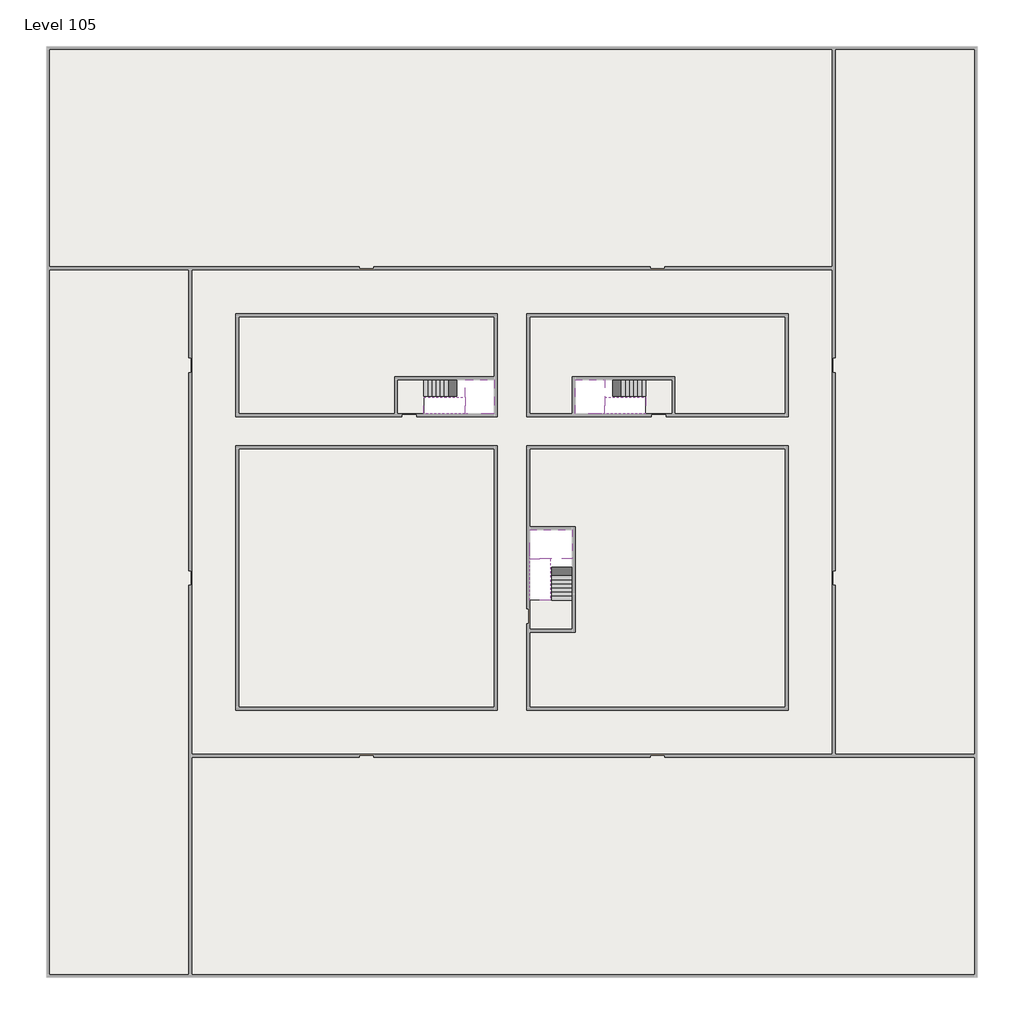
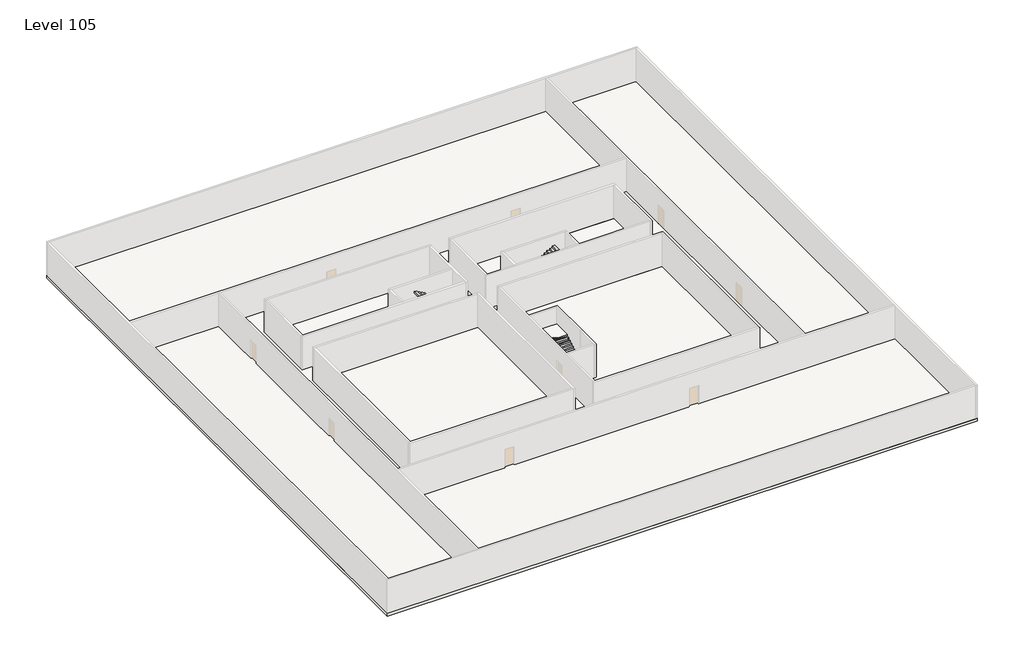
# One storey, part 2 of 2: 6 slabs, 6 stair flights.
"""IFC4 building model written with IfcOpenShell, lengths in millimetres."""

from ifc_helpers import new_model, si_unit, frame, origin, place, context, project, spatial, polyline, outline, extrude, faceted_brep, element, save

model = new_model("IFC4")

# Units and contexts
model_context = context("Model", 3, world=origin())
ifc_project = project(units=[si_unit("LENGTHUNIT", "METRE", prefix="MILLI")], contexts=[model_context])

# Site, building, storey
site = spatial("IfcSite", under=ifc_project)
building = spatial("IfcBuilding", under=site)
storey = spatial("IfcBuildingStorey", under=building, Name="Level 105", Elevation=395200.0)

# Slabs
placement = place(None, origin())
element("IfcSlab", 1, at=placement, inside=storey, context=model_context, shape_type="SweptSolid", body=[
    extrude(outline(polyline([(55890.1058784, -5518.09644), (55890.1058784, -68918.09644), (-7509.8941216, -68918.09644), (-7509.8941216, -5518.09644), (55890.1058784, -5518.09644)]), holes=[polyline([(22990.1058784, -23918.09644), (5590.1058784, -23918.09644), (5590.1058784, -30518.09644), (22990.1058784, -30518.09644), (22990.1058784, -23918.09644)]), polyline([(42990.1058784, -23918.09644), (25390.1058784, -23918.09644), (25390.1058784, -30518.09644), (42990.1058784, -30518.09644), (42990.1058784, -23918.09644)]), polyline([(25390.1058784, -50518.09644), (42790.1058784, -50518.09644), (42790.1058784, -32918.09644), (25390.1058784, -32918.09644), (25390.1058784, -50518.09644)]), polyline([(22990.1058784, -32918.09644), (5590.1058784, -32918.09644), (5590.1058784, -50518.09644), (22990.1058784, -50518.09644), (22990.1058784, -32918.09644)])]), frame((0.0, 0.0, 394900.0), z_axis=(0.0, 0.0, 1.0), x_axis=(1.0, 0.0, 0.0)), (0.0, 0.0, 1.0), 300.0),
])
element("IfcSlab", 2, at=placement, inside=storey, context=model_context, shape_type="SweptSolid", body=[
    extrude(outline(polyline([(22990.1058784, -23918.09644), (22990.1058784, -28018.09644), (16190.1058784, -28018.09644), (16190.1058784, -30518.09644), (5590.1058784, -30518.09644), (5590.1058784, -23918.09644), (22990.1058784, -23918.09644)])), frame((0.0, 0.0, 394900.0), z_axis=(0.0, 0.0, 1.0), x_axis=(1.0, 0.0, 0.0)), (0.0, 0.0, 1.0), 300.0),
    extrude(outline(polyline([(42790.1058784, -23918.09644), (42790.1058784, -30518.09644), (35290.1058784, -30518.09644), (35290.1058784, -28018.09644), (28490.1058784, -28018.09644), (28490.1058784, -30518.09644), (25390.1058784, -30518.09644), (25390.1058784, -23918.09644), (42790.1058784, -23918.09644)])), frame((0.0, 0.0, 394900.0), z_axis=(0.0, 0.0, 1.0), x_axis=(1.0, 0.0, 0.0)), (0.0, 0.0, 1.0), 300.0),
    extrude(outline(polyline([(22990.1058784, -32918.09644), (22990.1058784, -50518.09644), (5590.1058784, -50518.09644), (5590.1058784, -32918.09644), (22990.1058784, -32918.09644)])), frame((0.0, 0.0, 394900.0), z_axis=(0.0, 0.0, 1.0), x_axis=(1.0, 0.0, 0.0)), (0.0, 0.0, 1.0), 300.0),
    extrude(outline(polyline([(25390.1058784, -38218.09644), (25390.1058784, -32918.09644), (42790.1058784, -32918.09644), (42790.1058784, -50518.09644), (25390.1058784, -50518.09644), (25390.1058784, -45418.09644), (28490.1058784, -45418.09644), (28490.1058784, -38218.09644), (25390.1058784, -38218.09644)])), frame((0.0, 0.0, 394900.0), z_axis=(0.0, 0.0, 1.0), x_axis=(1.0, 0.0, 0.0)), (0.0, 0.0, 1.0), 300.0),
])
element("IfcSlab", 3, at=placement, inside=storey, context=model_context, shape_type="Brep", body=[
    faceted_brep([(26890.1058784, -40418.09644, 397100.0), (28290.1058784, -40418.09644, 397100.0), (28290.1058784, -40338.7100038, 397100.0), (28290.1058784, -38418.09644, 397100.0), (25390.1058784, -38418.09644, 397100.0), (25390.1058784, -40217.4828763, 397100.0), (25390.1058784, -40418.09644, 397100.0), (26790.1058784, -40418.09644, 397100.0), (26890.1058784, -40418.09644, 396800.0), (26890.1058784, -40418.09644, 396751.0278478), (28290.1058784, -40418.09644, 396751.0278478), (28290.1058784, -40418.09644, 396927.2727273), (28290.1058784, -40338.7100038, 396800.0), (28290.1058784, -38418.09644, 396800.0), (25390.1058784, -38418.09644, 396800.0), (25390.1058784, -40217.4828763, 396800.0), (25390.1058784, -40418.09644, 396923.7551205), (26790.1058784, -40418.09644, 396923.7551205), (26790.1058784, -40418.09644, 396800.0), (26790.1058784, -40217.4828763, 396800.0), (26890.1058784, -40338.7100038, 396800.0)], [[[0, 1, 2, 3, 4, 5, 6, 7]], [[1, 0, 8, 9, 10, 11]], [[1, 11, 10, 12, 13, 3, 2]], [[4, 3, 13, 14]], [[4, 14, 15, 16, 6, 5]], [[7, 6, 16, 17]], [[0, 7, 17, 18, 8]], [[18, 19, 15, 14, 13, 12, 20, 8]], [[19, 18, 17]], [[20, 12, 10, 9]], [[8, 20, 9]], [[15, 19, 17, 16]]]),
])
element("IfcSlab", 4, at=placement, inside=storey, context=model_context, shape_type="Brep", body=[
    faceted_brep([(20990.1058784, -28218.09644, 397100.0), (20990.1058784, -29318.09644, 397100.0), (20990.1058784, -29418.09644, 397100.0), (20990.1058784, -30518.09644, 397100.0), (21190.7194421, -30518.09644, 397100.0), (22990.1058784, -30518.09644, 397100.0), (22990.1058784, -28218.09644, 397100.0), (21069.4923146, -28218.09644, 397100.0), (20990.1058784, -28218.09644, 396927.2727273), (20990.1058784, -28218.09644, 396751.0278478), (20990.1058784, -29318.09644, 396751.0278478), (20990.1058784, -29318.09644, 396800.0), (20990.1058784, -29418.09644, 396800.0), (20990.1058784, -29418.09644, 396923.7551205), (20990.1058784, -30518.09644, 396923.7551205), (21190.7194421, -30518.09644, 396800.0), (22990.1058784, -30518.09644, 396800.0), (22990.1058784, -28218.09644, 396800.0), (21069.4923146, -28218.09644, 396800.0), (21190.7194421, -29418.09644, 396800.0), (21069.4923146, -29318.09644, 396800.0)], [[[0, 1, 2, 3, 4, 5, 6, 7]], [[1, 0, 8, 9, 10, 11]], [[2, 1, 11, 12, 13]], [[3, 2, 13, 14]], [[3, 14, 15, 16, 5, 4]], [[6, 5, 16, 17]], [[9, 8, 0, 7, 6, 17, 18]], [[19, 12, 11, 20, 18, 17, 16, 15]], [[12, 19, 13]], [[18, 20, 10, 9]], [[20, 11, 10]], [[19, 15, 14, 13]]]),
])
element("IfcSlab", 5, at=placement, inside=storey, context=model_context, shape_type="Brep", body=[
    faceted_brep([(30490.1058784, -29318.09644, 397100.0), (30490.1058784, -28218.09644, 397100.0), (30410.7194421, -28218.09644, 397100.0), (28490.1058784, -28218.09644, 397100.0), (28490.1058784, -30518.09644, 397100.0), (30289.4923146, -30518.09644, 397100.0), (30490.1058784, -30518.09644, 397100.0), (30490.1058784, -29418.09644, 397100.0), (30490.1058784, -29318.09644, 396800.0), (30490.1058784, -29318.09644, 396751.0278478), (30490.1058784, -28218.09644, 396751.0278478), (30490.1058784, -28218.09644, 396927.2727273), (30490.1058784, -29418.09644, 396923.7551205), (30490.1058784, -29418.09644, 396800.0), (30490.1058784, -30518.09644, 396923.7551205), (28490.1058784, -30518.09644, 396800.0), (30289.4923146, -30518.09644, 396800.0), (28490.1058784, -28218.09644, 396800.0), (30410.7194421, -28218.09644, 396800.0), (30289.4923146, -29418.09644, 396800.0), (30410.7194421, -29318.09644, 396800.0)], [[[0, 1, 2, 3, 4, 5, 6, 7]], [[1, 0, 8, 9, 10, 11]], [[0, 7, 12, 13, 8]], [[7, 6, 14, 12]], [[4, 15, 16, 14, 6, 5]], [[4, 3, 17, 15]], [[1, 11, 10, 18, 17, 3, 2]], [[13, 19, 16, 15, 17, 18, 20, 8]], [[20, 18, 10, 9]], [[8, 20, 9]], [[16, 19, 12, 14]], [[19, 13, 12]]]),
])
element("IfcSlab", 6, at=placement, inside=storey, context=model_context, shape_type="SweptSolid", body=[
    extrude(outline(polyline([(35090.1058784, -28218.09644), (35090.1058784, -30518.09644), (33290.1058784, -30518.09644), (33290.1058784, -28218.09644), (35090.1058784, -28218.09644)])), frame((0.0, 0.0, 394900.0), z_axis=(0.0, 0.0, 1.0), x_axis=(1.0, 0.0, 0.0)), (0.0, 0.0, 1.0), 300.0),
    extrude(outline(polyline([(18190.1058784, -28218.09644), (18190.1058784, -30518.09644), (16390.1058784, -30518.09644), (16390.1058784, -28218.09644), (18190.1058784, -28218.09644)])), frame((0.0, 0.0, 394900.0), z_axis=(0.0, 0.0, 1.0), x_axis=(1.0, 0.0, 0.0)), (0.0, 0.0, 1.0), 300.0),
    extrude(outline(polyline([(28290.1058784, -43218.09644), (28290.1058784, -45218.09644), (25390.1058784, -45218.09644), (25390.1058784, -43218.09644), (28290.1058784, -43218.09644)])), frame((0.0, 0.0, 394900.0), z_axis=(0.0, 0.0, 1.0), x_axis=(1.0, 0.0, 0.0)), (0.0, 0.0, 1.0), 300.0),
])

# Stair flights
element("IfcStairFlight", 7, at=placement, inside=storey, context=model_context, shape_type="Brep", body=[
    faceted_brep([(26890.1058784, -42938.09644, 395372.7272727), (26890.1058784, -43218.09644, 395372.7272727), (28290.1058784, -43218.09644, 395372.7272727), (28290.1058784, -42938.09644, 395372.7272727), (26890.1058784, -42938.09644, 395200.0), (26890.1058784, -43218.09644, 395200.0), (28290.1058784, -43218.09644, 395200.0), (28290.1058784, -42938.09644, 395200.0), (26890.1058784, -42658.09644, 395545.4545455), (26890.1058784, -42938.09644, 395545.4545455), (28290.1058784, -42938.09644, 395545.4545455), (28290.1058784, -42658.09644, 395545.4545455), (26890.1058784, -42658.09644, 395369.209666), (26890.1058784, -42932.3942143, 395200.0), (28290.1058784, -42932.3942143, 395200.0), (28290.1058784, -42658.09644, 395369.209666), (26890.1058784, -42378.09644, 395718.1818182), (26890.1058784, -42658.09644, 395718.1818182), (28290.1058784, -42658.09644, 395718.1818182), (28290.1058784, -42378.09644, 395718.1818182), (26890.1058784, -42378.09644, 395541.9369387), (28290.1058784, -42378.09644, 395541.9369387), (26890.1058784, -42098.09644, 395890.9090909), (26890.1058784, -42378.09644, 395890.9090909), (28290.1058784, -42378.09644, 395890.9090909), (28290.1058784, -42098.09644, 395890.9090909), (26890.1058784, -42098.09644, 395714.6642114), (28290.1058784, -42098.09644, 395714.6642114), (26890.1058784, -41818.09644, 396063.6363636), (26890.1058784, -42098.09644, 396063.6363636), (28290.1058784, -42098.09644, 396063.6363636), (28290.1058784, -41818.09644, 396063.6363636), (26890.1058784, -41818.09644, 395887.3914841), (28290.1058784, -41818.09644, 395887.3914841), (26890.1058784, -41538.09644, 396236.3636364), (26890.1058784, -41818.09644, 396236.3636364), (28290.1058784, -41818.09644, 396236.3636364), (28290.1058784, -41538.09644, 396236.3636364), (26890.1058784, -41538.09644, 396060.1187569), (28290.1058784, -41538.09644, 396060.1187569), (26890.1058784, -41258.09644, 396409.0909091), (26890.1058784, -41538.09644, 396409.0909091), (28290.1058784, -41538.09644, 396409.0909091), (28290.1058784, -41258.09644, 396409.0909091), (26890.1058784, -41258.09644, 396232.8460296), (28290.1058784, -41258.09644, 396232.8460296), (26890.1058784, -40978.09644, 396581.8181818), (26890.1058784, -41258.09644, 396581.8181818), (28290.1058784, -41258.09644, 396581.8181818), (28290.1058784, -40978.09644, 396581.8181818), (26890.1058784, -40978.09644, 396405.5733023), (28290.1058784, -40978.09644, 396405.5733023), (26890.1058784, -40698.09644, 396754.5454545), (26890.1058784, -40978.09644, 396754.5454545), (28290.1058784, -40978.09644, 396754.5454545), (28290.1058784, -40698.09644, 396754.5454545), (26890.1058784, -40698.09644, 396578.3005751), (28290.1058784, -40698.09644, 396578.3005751), (26890.1058784, -40418.09644, 396927.2727273), (26890.1058784, -40698.09644, 396927.2727273), (28290.1058784, -40698.09644, 396927.2727273), (28290.1058784, -40418.09644, 396927.2727273), (26890.1058784, -40418.09644, 396800.0), (26890.1058784, -40418.09644, 396751.0278478), (28290.1058784, -40418.09644, 396751.0278478)], [[[0, 1, 2, 3]], [[1, 0, 4, 5]], [[2, 1, 5, 6]], [[3, 2, 6, 7]], [[8, 9, 10, 11]], [[4, 0, 9, 8, 12, 13]], [[0, 3, 10, 9]], [[3, 7, 14, 15, 11, 10]], [[16, 17, 18, 19]], [[17, 16, 20, 12, 8]], [[8, 11, 18, 17]], [[19, 18, 11, 15, 21]], [[22, 23, 24, 25]], [[23, 22, 26, 20, 16]], [[16, 19, 24, 23]], [[25, 24, 19, 21, 27]], [[28, 29, 30, 31]], [[29, 28, 32, 26, 22]], [[22, 25, 30, 29]], [[31, 30, 25, 27, 33]], [[34, 35, 36, 37]], [[35, 34, 38, 32, 28]], [[28, 31, 36, 35]], [[37, 36, 31, 33, 39]], [[40, 41, 42, 43]], [[41, 40, 44, 38, 34]], [[34, 37, 42, 41]], [[43, 42, 37, 39, 45]], [[46, 47, 48, 49]], [[47, 46, 50, 44, 40]], [[40, 43, 48, 47]], [[49, 48, 43, 45, 51]], [[52, 53, 54, 55]], [[53, 52, 56, 50, 46]], [[46, 49, 54, 53]], [[55, 54, 49, 51, 57]], [[58, 59, 60, 61]], [[59, 58, 62, 63, 56, 52]], [[52, 55, 60, 59]], [[61, 60, 55, 57, 64]], [[58, 61, 64, 63, 62]], [[5, 4, 13, 14, 7, 6]], [[14, 13, 12, 20, 26, 32, 38, 44, 50, 56, 63, 64, 57, 51, 45, 39, 33, 27, 21, 15]]]),
])
element("IfcStairFlight", 8, at=placement, inside=storey, context=model_context, shape_type="Brep", body=[
    faceted_brep([(26790.1058784, -40698.09644, 397272.7272727), (26790.1058784, -40418.09644, 397272.7272727), (25390.1058784, -40418.09644, 397272.7272727), (25390.1058784, -40698.09644, 397272.7272727), (26790.1058784, -40698.09644, 397096.4823932), (26790.1058784, -40418.09644, 396923.7551205), (25390.1058784, -40418.09644, 396923.7551205), (25390.1058784, -40418.09644, 397100.0), (25390.1058784, -40698.09644, 397096.4823932), (26790.1058784, -40978.09644, 397445.4545455), (26790.1058784, -40698.09644, 397445.4545455), (25390.1058784, -40698.09644, 397445.4545455), (25390.1058784, -40978.09644, 397445.4545455), (26790.1058784, -40978.09644, 397269.209666), (25390.1058784, -40978.09644, 397269.209666), (26790.1058784, -41258.09644, 397618.1818182), (26790.1058784, -40978.09644, 397618.1818182), (25390.1058784, -40978.09644, 397618.1818182), (25390.1058784, -41258.09644, 397618.1818182), (26790.1058784, -41258.09644, 397441.9369387), (25390.1058784, -41258.09644, 397441.9369387), (26790.1058784, -41538.09644, 397790.9090909), (26790.1058784, -41258.09644, 397790.9090909), (25390.1058784, -41258.09644, 397790.9090909), (25390.1058784, -41538.09644, 397790.9090909), (26790.1058784, -41538.09644, 397614.6642114), (25390.1058784, -41538.09644, 397614.6642114), (26790.1058784, -41818.09644, 397963.6363636), (26790.1058784, -41538.09644, 397963.6363636), (25390.1058784, -41538.09644, 397963.6363636), (25390.1058784, -41818.09644, 397963.6363636), (26790.1058784, -41818.09644, 397787.3914841), (25390.1058784, -41818.09644, 397787.3914841), (26790.1058784, -42098.09644, 398136.3636364), (26790.1058784, -41818.09644, 398136.3636364), (25390.1058784, -41818.09644, 398136.3636364), (25390.1058784, -42098.09644, 398136.3636364), (26790.1058784, -42098.09644, 397960.1187569), (25390.1058784, -42098.09644, 397960.1187569), (26790.1058784, -42378.09644, 398309.0909091), (26790.1058784, -42098.09644, 398309.0909091), (25390.1058784, -42098.09644, 398309.0909091), (25390.1058784, -42378.09644, 398309.0909091), (26790.1058784, -42378.09644, 398132.8460296), (25390.1058784, -42378.09644, 398132.8460296), (26790.1058784, -42658.09644, 398481.8181818), (26790.1058784, -42378.09644, 398481.8181818), (25390.1058784, -42378.09644, 398481.8181818), (25390.1058784, -42658.09644, 398481.8181818), (26790.1058784, -42658.09644, 398305.5733023), (25390.1058784, -42658.09644, 398305.5733023), (26790.1058784, -42938.09644, 398654.5454545), (26790.1058784, -42658.09644, 398654.5454545), (25390.1058784, -42658.09644, 398654.5454545), (25390.1058784, -42938.09644, 398654.5454545), (26790.1058784, -42938.09644, 398478.3005751), (25390.1058784, -42938.09644, 398478.3005751), (26790.1058784, -43218.09644, 398827.2727273), (26790.1058784, -42938.09644, 398827.2727273), (25390.1058784, -42938.09644, 398827.2727273), (25390.1058784, -43218.09644, 398827.2727273), (26790.1058784, -43218.09644, 398651.0278478), (25390.1058784, -43218.09644, 398651.0278478)], [[[0, 1, 2, 3]], [[1, 0, 4, 5]], [[2, 1, 5, 6, 7]], [[3, 2, 7, 6, 8]], [[9, 10, 11, 12]], [[10, 9, 13, 4, 0]], [[11, 10, 0, 3]], [[12, 11, 3, 8, 14]], [[15, 16, 17, 18]], [[16, 15, 19, 13, 9]], [[17, 16, 9, 12]], [[18, 17, 12, 14, 20]], [[21, 22, 23, 24]], [[22, 21, 25, 19, 15]], [[23, 22, 15, 18]], [[24, 23, 18, 20, 26]], [[27, 28, 29, 30]], [[28, 27, 31, 25, 21]], [[29, 28, 21, 24]], [[30, 29, 24, 26, 32]], [[33, 34, 35, 36]], [[34, 33, 37, 31, 27]], [[35, 34, 27, 30]], [[36, 35, 30, 32, 38]], [[39, 40, 41, 42]], [[40, 39, 43, 37, 33]], [[41, 40, 33, 36]], [[42, 41, 36, 38, 44]], [[45, 46, 47, 48]], [[46, 45, 49, 43, 39]], [[47, 46, 39, 42]], [[48, 47, 42, 44, 50]], [[51, 52, 53, 54]], [[52, 51, 55, 49, 45]], [[53, 52, 45, 48]], [[54, 53, 48, 50, 56]], [[57, 58, 59, 60]], [[58, 57, 61, 55, 51]], [[59, 58, 51, 54]], [[60, 59, 54, 56, 62]], [[57, 60, 62, 61]], [[5, 4, 13, 19, 25, 31, 37, 43, 49, 55, 61, 62, 56, 50, 44, 38, 32, 26, 20, 14, 8, 6]]]),
])
element("IfcStairFlight", 9, at=placement, inside=storey, context=model_context, shape_type="Brep", body=[
    faceted_brep([(18470.1058784, -28218.09644, 395372.7272727), (18190.1058784, -28218.09644, 395372.7272727), (18190.1058784, -29318.09644, 395372.7272727), (18470.1058784, -29318.09644, 395372.7272727), (18470.1058784, -28218.09644, 395200.0), (18190.1058784, -28218.09644, 395200.0), (18190.1058784, -29318.09644, 395200.0), (18470.1058784, -29318.09644, 395200.0), (18750.1058784, -28218.09644, 395545.4545455), (18470.1058784, -28218.09644, 395545.4545455), (18470.1058784, -29318.09644, 395545.4545455), (18750.1058784, -29318.09644, 395545.4545455), (18750.1058784, -28218.09644, 395369.209666), (18475.8081041, -28218.09644, 395200.0), (18475.8081041, -29318.09644, 395200.0), (18750.1058784, -29318.09644, 395369.209666), (19030.1058784, -28218.09644, 395718.1818182), (18750.1058784, -28218.09644, 395718.1818182), (18750.1058784, -29318.09644, 395718.1818182), (19030.1058784, -29318.09644, 395718.1818182), (19030.1058784, -28218.09644, 395541.9369387), (19030.1058784, -29318.09644, 395541.9369387), (19310.1058784, -28218.09644, 395890.9090909), (19030.1058784, -28218.09644, 395890.9090909), (19030.1058784, -29318.09644, 395890.9090909), (19310.1058784, -29318.09644, 395890.9090909), (19310.1058784, -28218.09644, 395714.6642114), (19310.1058784, -29318.09644, 395714.6642114), (19590.1058784, -28218.09644, 396063.6363636), (19310.1058784, -28218.09644, 396063.6363636), (19310.1058784, -29318.09644, 396063.6363636), (19590.1058784, -29318.09644, 396063.6363636), (19590.1058784, -28218.09644, 395887.3914841), (19590.1058784, -29318.09644, 395887.3914841), (19870.1058784, -28218.09644, 396236.3636364), (19590.1058784, -28218.09644, 396236.3636364), (19590.1058784, -29318.09644, 396236.3636364), (19870.1058784, -29318.09644, 396236.3636364), (19870.1058784, -28218.09644, 396060.1187569), (19870.1058784, -29318.09644, 396060.1187569), (20150.1058784, -28218.09644, 396409.0909091), (19870.1058784, -28218.09644, 396409.0909091), (19870.1058784, -29318.09644, 396409.0909091), (20150.1058784, -29318.09644, 396409.0909091), (20150.1058784, -28218.09644, 396232.8460296), (20150.1058784, -29318.09644, 396232.8460296), (20430.1058784, -28218.09644, 396581.8181818), (20150.1058784, -28218.09644, 396581.8181818), (20150.1058784, -29318.09644, 396581.8181818), (20430.1058784, -29318.09644, 396581.8181818), (20430.1058784, -28218.09644, 396405.5733023), (20430.1058784, -29318.09644, 396405.5733023), (20710.1058784, -28218.09644, 396754.5454545), (20430.1058784, -28218.09644, 396754.5454545), (20430.1058784, -29318.09644, 396754.5454545), (20710.1058784, -29318.09644, 396754.5454545), (20710.1058784, -28218.09644, 396578.3005751), (20710.1058784, -29318.09644, 396578.3005751), (20990.1058784, -28218.09644, 396927.2727273), (20710.1058784, -28218.09644, 396927.2727273), (20710.1058784, -29318.09644, 396927.2727273), (20990.1058784, -29318.09644, 396927.2727273), (20990.1058784, -28218.09644, 396751.0278478), (20990.1058784, -29318.09644, 396751.0278478), (20990.1058784, -29318.09644, 396800.0)], [[[0, 1, 2, 3]], [[1, 0, 4, 5]], [[2, 1, 5, 6]], [[3, 2, 6, 7]], [[8, 9, 10, 11]], [[4, 0, 9, 8, 12, 13]], [[0, 3, 10, 9]], [[3, 7, 14, 15, 11, 10]], [[16, 17, 18, 19]], [[17, 16, 20, 12, 8]], [[8, 11, 18, 17]], [[19, 18, 11, 15, 21]], [[22, 23, 24, 25]], [[23, 22, 26, 20, 16]], [[16, 19, 24, 23]], [[25, 24, 19, 21, 27]], [[28, 29, 30, 31]], [[29, 28, 32, 26, 22]], [[22, 25, 30, 29]], [[31, 30, 25, 27, 33]], [[34, 35, 36, 37]], [[35, 34, 38, 32, 28]], [[28, 31, 36, 35]], [[37, 36, 31, 33, 39]], [[40, 41, 42, 43]], [[41, 40, 44, 38, 34]], [[34, 37, 42, 41]], [[43, 42, 37, 39, 45]], [[46, 47, 48, 49]], [[47, 46, 50, 44, 40]], [[40, 43, 48, 47]], [[49, 48, 43, 45, 51]], [[52, 53, 54, 55]], [[53, 52, 56, 50, 46]], [[46, 49, 54, 53]], [[55, 54, 49, 51, 57]], [[58, 59, 60, 61]], [[59, 58, 62, 56, 52]], [[52, 55, 60, 59]], [[61, 60, 55, 57, 63, 64]], [[58, 61, 64, 63, 62]], [[5, 4, 13, 14, 7, 6]], [[14, 13, 12, 20, 26, 32, 38, 44, 50, 56, 62, 63, 57, 51, 45, 39, 33, 27, 21, 15]]]),
])
element("IfcStairFlight", 10, at=placement, inside=storey, context=model_context, shape_type="Brep", body=[
    faceted_brep([(20710.1058784, -30518.09644, 397272.7272727), (20990.1058784, -30518.09644, 397272.7272727), (20990.1058784, -29418.09644, 397272.7272727), (20710.1058784, -29418.09644, 397272.7272727), (20710.1058784, -30518.09644, 397096.4823932), (20990.1058784, -30518.09644, 396923.7551205), (20990.1058784, -30518.09644, 397100.0), (20990.1058784, -29418.09644, 396923.7551205), (20710.1058784, -29418.09644, 397096.4823932), (20430.1058784, -30518.09644, 397445.4545455), (20710.1058784, -30518.09644, 397445.4545455), (20710.1058784, -29418.09644, 397445.4545455), (20430.1058784, -29418.09644, 397445.4545455), (20430.1058784, -30518.09644, 397269.209666), (20430.1058784, -29418.09644, 397269.209666), (20150.1058784, -30518.09644, 397618.1818182), (20430.1058784, -30518.09644, 397618.1818182), (20430.1058784, -29418.09644, 397618.1818182), (20150.1058784, -29418.09644, 397618.1818182), (20150.1058784, -30518.09644, 397441.9369387), (20150.1058784, -29418.09644, 397441.9369387), (19870.1058784, -30518.09644, 397790.9090909), (20150.1058784, -30518.09644, 397790.9090909), (20150.1058784, -29418.09644, 397790.9090909), (19870.1058784, -29418.09644, 397790.9090909), (19870.1058784, -30518.09644, 397614.6642114), (19870.1058784, -29418.09644, 397614.6642114), (19590.1058784, -30518.09644, 397963.6363636), (19870.1058784, -30518.09644, 397963.6363636), (19870.1058784, -29418.09644, 397963.6363636), (19590.1058784, -29418.09644, 397963.6363636), (19590.1058784, -30518.09644, 397787.3914841), (19590.1058784, -29418.09644, 397787.3914841), (19310.1058784, -30518.09644, 398136.3636364), (19590.1058784, -30518.09644, 398136.3636364), (19590.1058784, -29418.09644, 398136.3636364), (19310.1058784, -29418.09644, 398136.3636364), (19310.1058784, -30518.09644, 397960.1187569), (19310.1058784, -29418.09644, 397960.1187569), (19030.1058784, -30518.09644, 398309.0909091), (19310.1058784, -30518.09644, 398309.0909091), (19310.1058784, -29418.09644, 398309.0909091), (19030.1058784, -29418.09644, 398309.0909091), (19030.1058784, -30518.09644, 398132.8460296), (19030.1058784, -29418.09644, 398132.8460296), (18750.1058784, -30518.09644, 398481.8181818), (19030.1058784, -30518.09644, 398481.8181818), (19030.1058784, -29418.09644, 398481.8181818), (18750.1058784, -29418.09644, 398481.8181818), (18750.1058784, -30518.09644, 398305.5733023), (18750.1058784, -29418.09644, 398305.5733023), (18470.1058784, -30518.09644, 398654.5454545), (18750.1058784, -30518.09644, 398654.5454545), (18750.1058784, -29418.09644, 398654.5454545), (18470.1058784, -29418.09644, 398654.5454545), (18470.1058784, -30518.09644, 398478.3005751), (18470.1058784, -29418.09644, 398478.3005751), (18190.1058784, -30518.09644, 398827.2727273), (18470.1058784, -30518.09644, 398827.2727273), (18470.1058784, -29418.09644, 398827.2727273), (18190.1058784, -29418.09644, 398827.2727273), (18190.1058784, -30518.09644, 398651.0278478), (18190.1058784, -29418.09644, 398651.0278478)], [[[0, 1, 2, 3]], [[1, 0, 4, 5, 6]], [[2, 1, 6, 5, 7]], [[3, 2, 7, 8]], [[9, 10, 11, 12]], [[10, 9, 13, 4, 0]], [[11, 10, 0, 3]], [[12, 11, 3, 8, 14]], [[15, 16, 17, 18]], [[16, 15, 19, 13, 9]], [[17, 16, 9, 12]], [[18, 17, 12, 14, 20]], [[21, 22, 23, 24]], [[22, 21, 25, 19, 15]], [[23, 22, 15, 18]], [[24, 23, 18, 20, 26]], [[27, 28, 29, 30]], [[28, 27, 31, 25, 21]], [[29, 28, 21, 24]], [[30, 29, 24, 26, 32]], [[33, 34, 35, 36]], [[34, 33, 37, 31, 27]], [[35, 34, 27, 30]], [[36, 35, 30, 32, 38]], [[39, 40, 41, 42]], [[40, 39, 43, 37, 33]], [[41, 40, 33, 36]], [[42, 41, 36, 38, 44]], [[45, 46, 47, 48]], [[46, 45, 49, 43, 39]], [[47, 46, 39, 42]], [[48, 47, 42, 44, 50]], [[51, 52, 53, 54]], [[52, 51, 55, 49, 45]], [[53, 52, 45, 48]], [[54, 53, 48, 50, 56]], [[57, 58, 59, 60]], [[58, 57, 61, 55, 51]], [[59, 58, 51, 54]], [[60, 59, 54, 56, 62]], [[57, 60, 62, 61]], [[5, 4, 13, 19, 25, 31, 37, 43, 49, 55, 61, 62, 56, 50, 44, 38, 32, 26, 20, 14, 8, 7]]]),
])
element("IfcStairFlight", 11, at=placement, inside=storey, context=model_context, shape_type="Brep", body=[
    faceted_brep([(33010.1058784, -29318.09644, 395372.7272727), (33290.1058784, -29318.09644, 395372.7272727), (33290.1058784, -28218.09644, 395372.7272727), (33010.1058784, -28218.09644, 395372.7272727), (33290.1058784, -28218.09644, 395200.0), (33010.1058784, -28218.09644, 395200.0), (33290.1058784, -29318.09644, 395200.0), (33010.1058784, -29318.09644, 395200.0), (32730.1058784, -29318.09644, 395545.4545455), (33010.1058784, -29318.09644, 395545.4545455), (33010.1058784, -28218.09644, 395545.4545455), (32730.1058784, -28218.09644, 395545.4545455), (33004.4036527, -28218.09644, 395200.0), (32730.1058784, -28218.09644, 395369.209666), (32730.1058784, -29318.09644, 395369.209666), (33004.4036527, -29318.09644, 395200.0), (32450.1058784, -29318.09644, 395718.1818182), (32730.1058784, -29318.09644, 395718.1818182), (32730.1058784, -28218.09644, 395718.1818182), (32450.1058784, -28218.09644, 395718.1818182), (32450.1058784, -28218.09644, 395541.9369387), (32450.1058784, -29318.09644, 395541.9369387), (32170.1058784, -29318.09644, 395890.9090909), (32450.1058784, -29318.09644, 395890.9090909), (32450.1058784, -28218.09644, 395890.9090909), (32170.1058784, -28218.09644, 395890.9090909), (32170.1058784, -28218.09644, 395714.6642114), (32170.1058784, -29318.09644, 395714.6642114), (31890.1058784, -29318.09644, 396063.6363636), (32170.1058784, -29318.09644, 396063.6363636), (32170.1058784, -28218.09644, 396063.6363636), (31890.1058784, -28218.09644, 396063.6363636), (31890.1058784, -28218.09644, 395887.3914841), (31890.1058784, -29318.09644, 395887.3914841), (31610.1058784, -29318.09644, 396236.3636364), (31890.1058784, -29318.09644, 396236.3636364), (31890.1058784, -28218.09644, 396236.3636364), (31610.1058784, -28218.09644, 396236.3636364), (31610.1058784, -28218.09644, 396060.1187569), (31610.1058784, -29318.09644, 396060.1187569), (31330.1058784, -29318.09644, 396409.0909091), (31610.1058784, -29318.09644, 396409.0909091), (31610.1058784, -28218.09644, 396409.0909091), (31330.1058784, -28218.09644, 396409.0909091), (31330.1058784, -28218.09644, 396232.8460296), (31330.1058784, -29318.09644, 396232.8460296), (31050.1058784, -29318.09644, 396581.8181818), (31330.1058784, -29318.09644, 396581.8181818), (31330.1058784, -28218.09644, 396581.8181818), (31050.1058784, -28218.09644, 396581.8181818), (31050.1058784, -28218.09644, 396405.5733023), (31050.1058784, -29318.09644, 396405.5733023), (30770.1058784, -29318.09644, 396754.5454545), (31050.1058784, -29318.09644, 396754.5454545), (31050.1058784, -28218.09644, 396754.5454545), (30770.1058784, -28218.09644, 396754.5454545), (30770.1058784, -28218.09644, 396578.3005751), (30770.1058784, -29318.09644, 396578.3005751), (30490.1058784, -29318.09644, 396927.2727273), (30770.1058784, -29318.09644, 396927.2727273), (30770.1058784, -28218.09644, 396927.2727273), (30490.1058784, -28218.09644, 396927.2727273), (30490.1058784, -28218.09644, 396751.0278478), (30490.1058784, -29318.09644, 396800.0), (30490.1058784, -29318.09644, 396751.0278478)], [[[0, 1, 2, 3]], [[3, 2, 4, 5]], [[2, 1, 6, 4]], [[1, 0, 7, 6]], [[8, 9, 10, 11]], [[3, 5, 12, 13, 11, 10]], [[0, 3, 10, 9]], [[7, 0, 9, 8, 14, 15]], [[16, 17, 18, 19]], [[19, 18, 11, 13, 20]], [[8, 11, 18, 17]], [[17, 16, 21, 14, 8]], [[22, 23, 24, 25]], [[25, 24, 19, 20, 26]], [[16, 19, 24, 23]], [[23, 22, 27, 21, 16]], [[28, 29, 30, 31]], [[31, 30, 25, 26, 32]], [[22, 25, 30, 29]], [[29, 28, 33, 27, 22]], [[34, 35, 36, 37]], [[37, 36, 31, 32, 38]], [[28, 31, 36, 35]], [[35, 34, 39, 33, 28]], [[40, 41, 42, 43]], [[43, 42, 37, 38, 44]], [[34, 37, 42, 41]], [[41, 40, 45, 39, 34]], [[46, 47, 48, 49]], [[49, 48, 43, 44, 50]], [[40, 43, 48, 47]], [[47, 46, 51, 45, 40]], [[52, 53, 54, 55]], [[55, 54, 49, 50, 56]], [[46, 49, 54, 53]], [[53, 52, 57, 51, 46]], [[58, 59, 60, 61]], [[61, 60, 55, 56, 62]], [[52, 55, 60, 59]], [[59, 58, 63, 64, 57, 52]], [[58, 61, 62, 64, 63]], [[6, 7, 15, 12, 5, 4]], [[12, 15, 14, 21, 27, 33, 39, 45, 51, 57, 64, 62, 56, 50, 44, 38, 32, 26, 20, 13]]]),
])
element("IfcStairFlight", 12, at=placement, inside=storey, context=model_context, shape_type="Brep", body=[
    faceted_brep([(30770.1058784, -29418.09644, 397272.7272727), (30490.1058784, -29418.09644, 397272.7272727), (30490.1058784, -30518.09644, 397272.7272727), (30770.1058784, -30518.09644, 397272.7272727), (30490.1058784, -30518.09644, 397100.0), (30490.1058784, -30518.09644, 396923.7551205), (30770.1058784, -30518.09644, 397096.4823932), (30490.1058784, -29418.09644, 396923.7551205), (30770.1058784, -29418.09644, 397096.4823932), (31050.1058784, -29418.09644, 397445.4545455), (30770.1058784, -29418.09644, 397445.4545455), (30770.1058784, -30518.09644, 397445.4545455), (31050.1058784, -30518.09644, 397445.4545455), (31050.1058784, -30518.09644, 397269.209666), (31050.1058784, -29418.09644, 397269.209666), (31330.1058784, -29418.09644, 397618.1818182), (31050.1058784, -29418.09644, 397618.1818182), (31050.1058784, -30518.09644, 397618.1818182), (31330.1058784, -30518.09644, 397618.1818182), (31330.1058784, -30518.09644, 397441.9369387), (31330.1058784, -29418.09644, 397441.9369387), (31610.1058784, -29418.09644, 397790.9090909), (31330.1058784, -29418.09644, 397790.9090909), (31330.1058784, -30518.09644, 397790.9090909), (31610.1058784, -30518.09644, 397790.9090909), (31610.1058784, -30518.09644, 397614.6642114), (31610.1058784, -29418.09644, 397614.6642114), (31890.1058784, -29418.09644, 397963.6363636), (31610.1058784, -29418.09644, 397963.6363636), (31610.1058784, -30518.09644, 397963.6363636), (31890.1058784, -30518.09644, 397963.6363636), (31890.1058784, -30518.09644, 397787.3914841), (31890.1058784, -29418.09644, 397787.3914841), (32170.1058784, -29418.09644, 398136.3636364), (31890.1058784, -29418.09644, 398136.3636364), (31890.1058784, -30518.09644, 398136.3636364), (32170.1058784, -30518.09644, 398136.3636364), (32170.1058784, -30518.09644, 397960.1187569), (32170.1058784, -29418.09644, 397960.1187569), (32450.1058784, -29418.09644, 398309.0909091), (32170.1058784, -29418.09644, 398309.0909091), (32170.1058784, -30518.09644, 398309.0909091), (32450.1058784, -30518.09644, 398309.0909091), (32450.1058784, -30518.09644, 398132.8460296), (32450.1058784, -29418.09644, 398132.8460296), (32730.1058784, -29418.09644, 398481.8181818), (32450.1058784, -29418.09644, 398481.8181818), (32450.1058784, -30518.09644, 398481.8181818), (32730.1058784, -30518.09644, 398481.8181818), (32730.1058784, -30518.09644, 398305.5733023), (32730.1058784, -29418.09644, 398305.5733023), (33010.1058784, -29418.09644, 398654.5454545), (32730.1058784, -29418.09644, 398654.5454545), (32730.1058784, -30518.09644, 398654.5454545), (33010.1058784, -30518.09644, 398654.5454545), (33010.1058784, -30518.09644, 398478.3005751), (33010.1058784, -29418.09644, 398478.3005751), (33290.1058784, -29418.09644, 398827.2727273), (33010.1058784, -29418.09644, 398827.2727273), (33010.1058784, -30518.09644, 398827.2727273), (33290.1058784, -30518.09644, 398827.2727273), (33290.1058784, -30518.09644, 398651.0278478), (33290.1058784, -29418.09644, 398651.0278478)], [[[0, 1, 2, 3]], [[3, 2, 4, 5, 6]], [[2, 1, 7, 5, 4]], [[1, 0, 8, 7]], [[9, 10, 11, 12]], [[12, 11, 3, 6, 13]], [[11, 10, 0, 3]], [[10, 9, 14, 8, 0]], [[15, 16, 17, 18]], [[18, 17, 12, 13, 19]], [[17, 16, 9, 12]], [[16, 15, 20, 14, 9]], [[21, 22, 23, 24]], [[24, 23, 18, 19, 25]], [[23, 22, 15, 18]], [[22, 21, 26, 20, 15]], [[27, 28, 29, 30]], [[30, 29, 24, 25, 31]], [[29, 28, 21, 24]], [[28, 27, 32, 26, 21]], [[33, 34, 35, 36]], [[36, 35, 30, 31, 37]], [[35, 34, 27, 30]], [[34, 33, 38, 32, 27]], [[39, 40, 41, 42]], [[42, 41, 36, 37, 43]], [[41, 40, 33, 36]], [[40, 39, 44, 38, 33]], [[45, 46, 47, 48]], [[48, 47, 42, 43, 49]], [[47, 46, 39, 42]], [[46, 45, 50, 44, 39]], [[51, 52, 53, 54]], [[54, 53, 48, 49, 55]], [[53, 52, 45, 48]], [[52, 51, 56, 50, 45]], [[57, 58, 59, 60]], [[60, 59, 54, 55, 61]], [[59, 58, 51, 54]], [[58, 57, 62, 56, 51]], [[57, 60, 61, 62]], [[7, 8, 14, 20, 26, 32, 38, 44, 50, 56, 62, 61, 55, 49, 43, 37, 31, 25, 19, 13, 6, 5]]]),
])

save(model, "model.ifc")
